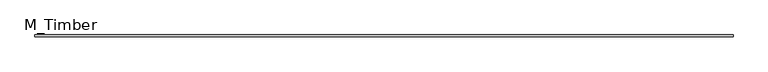
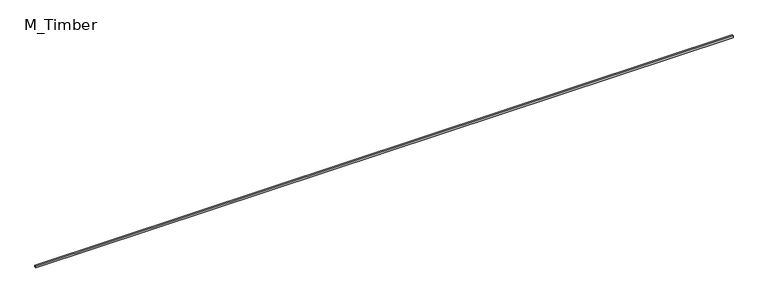
"""IFC4 building model written with IfcOpenShell, lengths in millimetres: beam geometry, M_Timber."""

import ifcopenshell
import ifcopenshell.guid

model = None  # the IFC model being written
_history = None  # IfcOwnerHistory: only IFC2X3 demands one
_inside = {}  # id of a spatial element -> (the spatial element, [elements in it])
_under = {}  # id of a project, library or spatial element -> (it, [spatial elements below it])
_declared = {}  # id of a project -> (the project, [libraries it declares])
_typed = {}  # id of a type object -> (the type object, [elements of that type])
_made_of = {}  # id of a material, layer set ... -> (it, [elements and type objects made of it])


def new_model(schema):
    """Start an empty IFC model of exactly this schema.

    Asked for "IFC4X3", IfcOpenShell would pick the latest addendum, in which some entities
    have other attributes; the version numbers below select the first issue.
    IFC2X3 requires an IfcOwnerHistory on every rooted entity: one is made here for all.
    """
    global model, _history
    if schema == "IFC4X3":
        model = ifcopenshell.file(schema_version=(4, 3, 0, 0))
    else:
        model = ifcopenshell.file(schema=schema)
    _inside.clear()
    _under.clear()
    _declared.clear()
    _typed.clear()
    _made_of.clear()
    _history = None
    if model.schema == "IFC2X3":
        org = make("IfcOrganization", Name="unknown")
        user = make(
            "IfcPersonAndOrganization",
            ThePerson=make("IfcPerson", FamilyName="unknown"),
            TheOrganization=org,
        )
        app = make(
            "IfcApplication",
            ApplicationDeveloper=org,
            Version="unknown",
            ApplicationFullName="unknown",
            ApplicationIdentifier="unknown",
        )
        _history = make(
            "IfcOwnerHistory",
            OwningUser=user,
            OwningApplication=app,
            ChangeAction="ADDED",
            CreationDate=0,
        )
    return model


def make(cls, **values):
    """One entity of the class cls with the attributes given. An attribute that is None is left unset."""
    return model.create_entity(
        cls, **{name: value for name, value in values.items() if value is not None}
    )


def rooted(cls, **values):
    """An entity with a GlobalId (a new one), such as an element, a storey or a relation."""
    return make(cls, GlobalId=ifcopenshell.guid.new(), OwnerHistory=_history, **values)


def si_unit(unit_type, name, prefix=None):
    """IfcSIUnit, for example si_unit("LENGTHUNIT", "METRE", prefix="MILLI")."""
    return make("IfcSIUnit", UnitType=unit_type, Prefix=prefix, Name=name)


def assignment(units):
    """IfcUnitAssignment: the units of a project."""
    return None if units is None else make("IfcUnitAssignment", Units=units)


def point(xyz):
    """IfcCartesianPoint."""
    return None if xyz is None else make("IfcCartesianPoint", Coordinates=xyz)


def direction(xyz):
    """IfcDirection."""
    return None if xyz is None else make("IfcDirection", DirectionRatios=xyz)


def frame(location, z_axis=None, x_axis=None):
    """IfcAxis2Placement3D, a coordinate frame: its origin and axes. An axis left out is left unset."""
    return make(
        "IfcAxis2Placement3D",
        Location=point(location),
        Axis=direction(z_axis),
        RefDirection=direction(x_axis),
    )


def origin():
    """The frame at (0, 0, 0) with its axes left unset."""
    return frame((0.0, 0.0, 0.0))


def place(relative_to, where):
    """IfcLocalPlacement: puts the frame where relative to a parent placement (None: the world)."""
    return make(
        "IfcLocalPlacement", PlacementRelTo=relative_to, RelativePlacement=where
    )


def context(
    kind, dimensions, precision=None, world=None, true_north=None, identifier=None
):
    """IfcGeometricRepresentationContext, for example the 3D "Model" context."""
    return make(
        "IfcGeometricRepresentationContext",
        ContextIdentifier=identifier,
        ContextType=kind,
        CoordinateSpaceDimension=dimensions,
        Precision=precision,
        WorldCoordinateSystem=world,
        TrueNorth=true_north,
    )


def project(units=None, contexts=None):
    """IfcProject with its units and contexts."""
    return rooted(
        "IfcProject",
        Name="project",
        RepresentationContexts=contexts,
        UnitsInContext=assignment(units),
    )


def spatial(cls, under=None, at=None, **own):
    """A site, building, storey or space (cls), placed at a placement, below another one or the project."""
    s = rooted(cls, ObjectPlacement=at, **own)
    if under is not None:
        _under.setdefault(under.id(), (under, []))[1].append(s)
    return s


def polyline(points):
    """IfcPolyline through the points."""
    return make("IfcPolyline", Points=[point(p) for p in points])


def outline(outer, holes=None, kind="AREA"):
    """IfcArbitraryClosedProfileDef: a profile drawn as a closed curve; with holes, ...WithVoids."""
    if holes is None:
        return make("IfcArbitraryClosedProfileDef", ProfileType=kind, OuterCurve=outer)
    return make(
        "IfcArbitraryProfileDefWithVoids",
        ProfileType=kind,
        OuterCurve=outer,
        InnerCurves=holes,
    )


def extrude(swept, where, along, depth):
    """IfcExtrudedAreaSolid: the profile swept, set in the frame where, extruded along a direction by depth."""
    return make(
        "IfcExtrudedAreaSolid",
        SweptArea=swept,
        Position=where,
        ExtrudedDirection=direction(along),
        Depth=depth,
    )


def shape(context_of_items, identifier, shape_type, items):
    """IfcShapeRepresentation: the items that make up one representation, for example the "Body"."""
    return make(
        "IfcShapeRepresentation",
        ContextOfItems=context_of_items,
        RepresentationIdentifier=identifier,
        RepresentationType=shape_type,
        Items=items,
    )


def source(mapping_origin, context_of_items, identifier, shape_type, items):
    """IfcRepresentationMap: a shape defined once, which mapped items show again and again."""
    return make(
        "IfcRepresentationMap",
        MappingOrigin=mapping_origin,
        MappedRepresentation=shape(context_of_items, identifier, shape_type, items),
    )


def transform(
    local_origin,
    x_axis=None,
    y_axis=None,
    z_axis=None,
    scale=None,
    scale2=None,
    scale3=None,
    uniform=True,
):
    """IfcCartesianTransformationOperator3D, or its non-uniform kind. x_axis, y_axis, z_axis: its Axis1, 2, 3."""
    if uniform:
        return make(
            "IfcCartesianTransformationOperator3D",
            Axis1=direction(x_axis),
            Axis2=direction(y_axis),
            LocalOrigin=point(local_origin),
            Scale=scale,
            Axis3=direction(z_axis),
        )
    return make(
        "IfcCartesianTransformationOperator3DnonUniform",
        Axis1=direction(x_axis),
        Axis2=direction(y_axis),
        LocalOrigin=point(local_origin),
        Scale=scale,
        Axis3=direction(z_axis),
        Scale2=scale2,
        Scale3=scale3,
    )


def mapped(mapping_source, mapping_target):
    """IfcMappedItem: shows the shape of a source again, moved by a transform."""
    return make(
        "IfcMappedItem", MappingSource=mapping_source, MappingTarget=mapping_target
    )


def made_of(thing, what):
    """Note that an element or type object is made of a material, layer set ...; save() writes the relation."""
    if what is not None:
        _made_of.setdefault(what.id(), (what, []))[1].append(thing)
    return thing


def element(
    cls,
    number,
    at=None,
    inside=None,
    cuts=None,
    type_object=None,
    material=None,
    context=None,
    identifier="Body",
    shape_type=None,
    held_by="IfcProductDefinitionShape",
    body=None,
    shapes=None,
    **own,
):
    """One element of the class cls, such as IfcWall. Its Tag is "e" and its number.

    at: its placement. inside: the storey or other place that contains it. cuts: it is an
    opening in that element (IfcRelVoidsElement). A single representation is given by context,
    identifier, shape_type and body (its items); several are given by shapes. held_by: the class
    of the entity that holds the representations. save() writes the other relations.
    """
    e = rooted(cls, Tag="e%d" % number, ObjectPlacement=at, **own)
    if body is not None:
        shapes = [shape(context, identifier, shape_type, body)]
    if shapes is not None:
        e.Representation = make(held_by, Representations=shapes)
    if inside is not None:
        _inside.setdefault(inside.id(), (inside, []))[1].append(e)
    if cuts is not None:
        rooted(
            "IfcRelVoidsElement", RelatingBuildingElement=cuts, RelatedOpeningElement=e
        )
    if type_object is not None:
        _typed.setdefault(type_object.id(), (type_object, []))[1].append(e)
    return made_of(e, material)


def aggregate(whole, parts):
    """IfcRelAggregates: a whole, such as a stair, and the parts it consists of."""
    return rooted("IfcRelAggregates", RelatingObject=whole, RelatedObjects=parts)


def save(model, path):
    """Write the relations noted so far, then the file.

    IfcRelAggregates (storeys below a building ...), IfcRelContainedInSpatialStructure (elements
    in a storey), IfcRelDefinesByType, IfcRelAssociatesMaterial and IfcRelDeclares: one each for
    every whole, place, type object, material and project.
    """
    for whole, parts in _under.values():
        aggregate(whole, parts)
    for where, things in _inside.values():
        rooted(
            "IfcRelContainedInSpatialStructure",
            RelatedElements=things,
            RelatingStructure=where,
        )
    for kind, things in _typed.values():
        rooted("IfcRelDefinesByType", RelatedObjects=things, RelatingType=kind)
    for what, things in _made_of.values():
        rooted("IfcRelAssociatesMaterial", RelatedObjects=things, RelatingMaterial=what)
    for by, libraries in _declared.values():
        rooted("IfcRelDeclares", RelatingContext=by, RelatedDefinitions=libraries)
    model.write(path)


def m_timber_04ebaad4(model_context):
    return source(origin(), model_context, "Body", "SweptSolid", [
        extrude(outline(polyline([(8048.0355586, 20.0), (8048.0355586, -20.0), (-8048.0355586, -20.0), (-8048.0355586, 20.0), (8048.0355586, 20.0)])), frame((0.0, 0.0, -20.0), z_axis=(0.0, 0.0, 1.0), x_axis=(1.0, 0.0, 0.0)), (0.0, 0.0, 1.0), 40.0),
    ])


if __name__ == "__main__":
    model = new_model("IFC4")
    model_context = context("Model", 3, world=origin())
    ifc_project = project(units=[si_unit("LENGTHUNIT", "METRE", prefix="MILLI")], contexts=[model_context])
    site = spatial("IfcSite", under=ifc_project)
    building = spatial("IfcBuilding", under=site)
    placement = place(None, origin())
    m_timber_shape = m_timber_04ebaad4(model_context)
    element("IfcBeam", 1, ObjectType="M_Timber", at=placement, inside=building, context=model_context, shape_type="MappedRepresentation", body=[
        mapped(m_timber_shape, transform((0.0, 0.0, 0.0), x_axis=(1.0, 0.0, 0.0), y_axis=(0.0, 1.0, 0.0), z_axis=(0.0, 0.0, 1.0))),
    ])
    save(model, "model.ifc")
